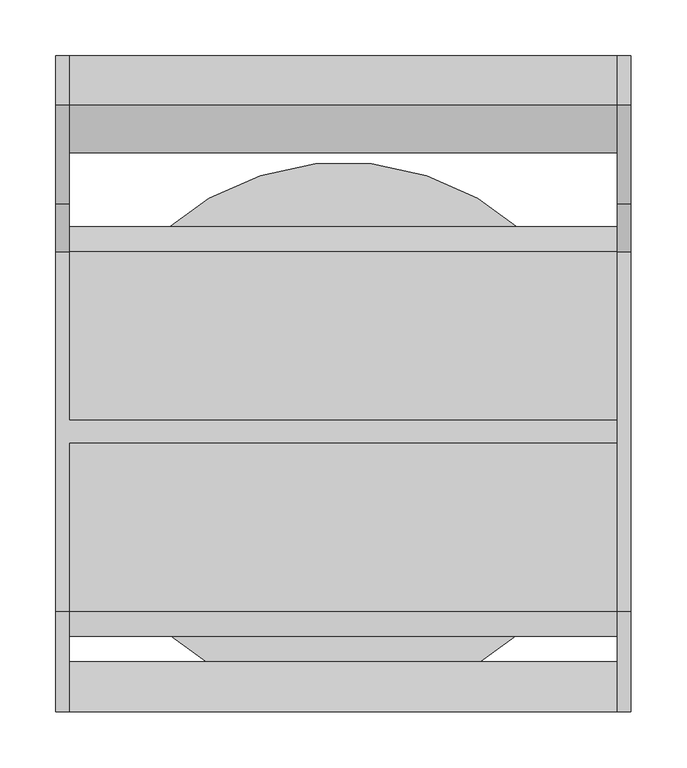
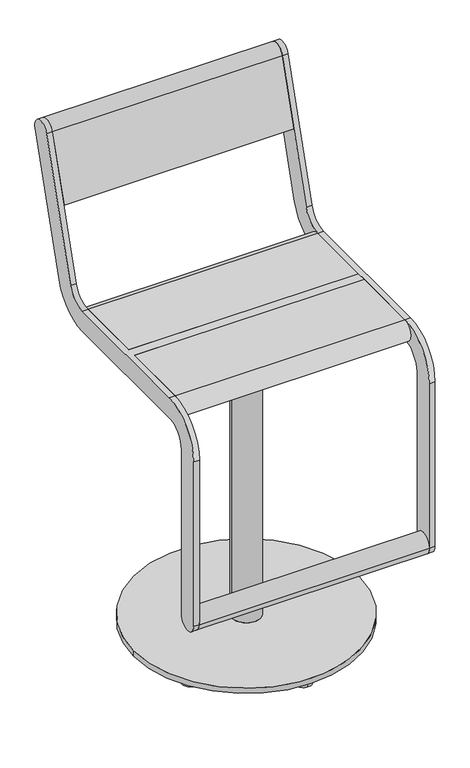
"""IFC4 building model written with IfcOpenShell, lengths in millimetres: furniture geometry."""

from ifc_helpers import new_model, si_unit, point, frame, frame_2d, origin, origin_2d, place, context, project, spatial, polyline, circle_curve, trimmed, segment, composite_curve, outline, extrude, source, transform, mapped, element, save
from ifc_brep_helpers import plane_surface, cylinder_surface, revolved_surface, advanced_brep


def furniture_181cd058(model_context):
    return source(origin(), model_context, "Body", "SolidModel", [
        extrude(outline(composite_curve([segment(trimmed(circle_curve(origin_2d(), 40.0), [point((-40.0, 0.0))], [point((40.0, 0.0))], False, "CARTESIAN"), True, "CONTINUOUS"), segment(trimmed(circle_curve(origin_2d(), 40.0), [point((40.0, 0.0))], [point((-40.0, 0.0))], False, "CARTESIAN"), True, "CONTINUOUS")], self_intersect=False)), frame((0.0, 0.0, 578.999979), z_axis=(0.0, 0.0, 1.0), x_axis=(1.0, 0.0, 0.0)), (0.0, 0.0, 1.0), 60.0000441),
        extrude(outline(polyline([(75.0, 125.0), (75.0, -125.0), (-75.0, -125.0), (-75.0, 125.0), (75.0, 125.0)])), frame((0.0, 0.0, 639.0000231), z_axis=(0.0, 0.0, 1.0), x_axis=(1.0, 0.0, 0.0)), (0.0, 0.0, 1.0), 15.9999681),
        advanced_brep(
        [(-30.0, 0.0, 578.999979), (30.0, 0.0, 578.999979), (-30.0, 0.0, 27.0), (30.0, 0.0, 27.0), (-240.0, 0.0, 27.0), (240.0, 0.0, 27.0), (-240.0, 0.0, 15.0), (240.0, 0.0, 15.0), (0.0, 227.9750039, 15.0), (0.0, 193.9750039, 15.0), (180.0, -121.1370998, 15.0), (180.0, -87.1370998, 15.0), (0.0, -227.9750039, 15.0), (0.0, -193.9750039, 15.0), (-180.0, -121.1370998, 15.0), (-180.0, -87.1370998, 15.0), (180.0, 121.1370998, 15.0), (180.0, 87.1370998, 15.0), (-180.0, 121.1370998, 15.0), (-180.0, 87.1370998, 15.0), (0.0, 227.9750039, 0.0), (0.0, 193.9750039, 0.0), (180.0, -121.1370998, 0.0), (180.0, -87.1370998, 0.0), (0.0, -227.9750039, 0.0), (0.0, -193.9750039, 0.0), (-180.0, -121.1370998, 0.0), (-180.0, -87.1370998, 0.0), (180.0, 121.1370998, 0.0), (180.0, 87.1370998, 0.0), (-180.0, 121.1370998, 0.0), (-180.0, 87.1370998, 0.0)],
        [
            (0, 1, circle_curve(frame((0.0, 0.0, 578.999979), z_axis=(0.0, 0.0, 1.0), x_axis=(1.0, 0.0, 0.0)), 30.0)),
            (1, 0, circle_curve(frame((0.0, 0.0, 578.999979), z_axis=(0.0, 0.0, 1.0), x_axis=(1.0, 0.0, 0.0)), 30.0)),
            (0, 2),
            (2, 3, circle_curve(frame((0.0, 0.0, 27.0), z_axis=(0.0, 0.0, 1.0), x_axis=(1.0, 0.0, 0.0)), 30.0)),
            (3, 1),
            (3, 2, circle_curve(frame((0.0, 0.0, 27.0), z_axis=(0.0, 0.0, 1.0), x_axis=(1.0, 0.0, 0.0)), 30.0)),
            (4, 5, circle_curve(frame((0.0, 0.0, 27.0), z_axis=(0.0, 0.0, 1.0), x_axis=(1.0, 0.0, 0.0)), 240.0)),
            (5, 4, circle_curve(frame((0.0, 0.0, 27.0), z_axis=(0.0, 0.0, 1.0), x_axis=(1.0, 0.0, 0.0)), 240.0)),
            (6, 7, circle_curve(frame((0.0, 0.0, 15.0), z_axis=(0.0, 0.0, -1.0), x_axis=(1.0, 0.0, 0.0)), 240.0)),
            (7, 6, circle_curve(frame((0.0, 0.0, 15.0), z_axis=(0.0, 0.0, -1.0), x_axis=(1.0, 0.0, 0.0)), 240.0)),
            (8, 9, circle_curve(frame((0.0, 210.9750039, 15.0), z_axis=(0.0, 0.0, 1.0), x_axis=(0.0, -1.0, 0.0)), 17.0)),
            (9, 8, circle_curve(frame((0.0, 210.9750039, 15.0), z_axis=(0.0, 0.0, 1.0), x_axis=(0.0, -1.0, 0.0)), 17.0)),
            (10, 11, circle_curve(frame((180.0, -104.1370998, 15.0), z_axis=(0.0, 0.0, 1.0), x_axis=(0.0, 1.0, 0.0)), 17.0)),
            (11, 10, circle_curve(frame((180.0, -104.1370998, 15.0), z_axis=(0.0, 0.0, 1.0), x_axis=(0.0, 1.0, 0.0)), 17.0)),
            (12, 13, circle_curve(frame((0.0, -210.9750039, 15.0), z_axis=(0.0, 0.0, 1.0), x_axis=(0.0, 1.0, 0.0)), 17.0)),
            (13, 12, circle_curve(frame((0.0, -210.9750039, 15.0), z_axis=(0.0, 0.0, 1.0), x_axis=(0.0, 1.0, 0.0)), 17.0)),
            (14, 15, circle_curve(frame((-180.0, -104.1370998, 15.0), z_axis=(0.0, 0.0, 1.0), x_axis=(0.0, 1.0, 0.0)), 17.0)),
            (15, 14, circle_curve(frame((-180.0, -104.1370998, 15.0), z_axis=(0.0, 0.0, 1.0), x_axis=(0.0, 1.0, 0.0)), 17.0)),
            (16, 17, circle_curve(frame((180.0, 104.1370998, 15.0), z_axis=(0.0, 0.0, 1.0), x_axis=(0.0, -1.0, 0.0)), 17.0)),
            (17, 16, circle_curve(frame((180.0, 104.1370998, 15.0), z_axis=(0.0, 0.0, 1.0), x_axis=(0.0, -1.0, 0.0)), 17.0)),
            (18, 19, circle_curve(frame((-180.0, 104.1370998, 15.0), z_axis=(0.0, 0.0, 1.0), x_axis=(0.0, -1.0, 0.0)), 17.0)),
            (19, 18, circle_curve(frame((-180.0, 104.1370998, 15.0), z_axis=(0.0, 0.0, 1.0), x_axis=(0.0, -1.0, 0.0)), 17.0)),
            (20, 21, circle_curve(frame((0.0, 210.9750039, 0.0), z_axis=(0.0, 0.0, -1.0), x_axis=(0.0, -1.0, 0.0)), 17.0)),
            (21, 20, circle_curve(frame((0.0, 210.9750039, 0.0), z_axis=(0.0, 0.0, -1.0), x_axis=(0.0, -1.0, 0.0)), 17.0)),
            (22, 23, circle_curve(frame((180.0, -104.1370998, 0.0), z_axis=(0.0, 0.0, -1.0), x_axis=(0.0, 1.0, 0.0)), 17.0)),
            (23, 22, circle_curve(frame((180.0, -104.1370998, 0.0), z_axis=(0.0, 0.0, -1.0), x_axis=(0.0, 1.0, 0.0)), 17.0)),
            (24, 25, circle_curve(frame((0.0, -210.9750039, 0.0), z_axis=(0.0, 0.0, -1.0), x_axis=(0.0, 1.0, 0.0)), 17.0)),
            (25, 24, circle_curve(frame((0.0, -210.9750039, 0.0), z_axis=(0.0, 0.0, -1.0), x_axis=(0.0, 1.0, 0.0)), 17.0)),
            (26, 27, circle_curve(frame((-180.0, -104.1370998, 0.0), z_axis=(0.0, 0.0, -1.0), x_axis=(0.0, 1.0, 0.0)), 17.0)),
            (27, 26, circle_curve(frame((-180.0, -104.1370998, 0.0), z_axis=(0.0, 0.0, -1.0), x_axis=(0.0, 1.0, 0.0)), 17.0)),
            (28, 29, circle_curve(frame((180.0, 104.1370998, 0.0), z_axis=(0.0, 0.0, -1.0), x_axis=(0.0, -1.0, 0.0)), 17.0)),
            (29, 28, circle_curve(frame((180.0, 104.1370998, 0.0), z_axis=(0.0, 0.0, -1.0), x_axis=(0.0, -1.0, 0.0)), 17.0)),
            (30, 31, circle_curve(frame((-180.0, 104.1370998, 0.0), z_axis=(0.0, 0.0, -1.0), x_axis=(0.0, -1.0, 0.0)), 17.0)),
            (31, 30, circle_curve(frame((-180.0, 104.1370998, 0.0), z_axis=(0.0, 0.0, -1.0), x_axis=(0.0, -1.0, 0.0)), 17.0)),
            (21, 9),
            (8, 20),
            (23, 11),
            (10, 22),
            (4, 6),
            (7, 5),
            (25, 13),
            (12, 24),
            (27, 15),
            (14, 26),
            (29, 17),
            (16, 28),
            (31, 19),
            (18, 30),
        ],
        [
            plane_surface(frame((30.0, 0.0, 578.999979), z_axis=(0.0, 0.0, 1.0), x_axis=(0.0, 1.0, 0.0))),
            cylinder_surface(frame((0.0, 0.0, 27.0), z_axis=(0.0, 0.0, 1.0), x_axis=(1.0, 0.0, 0.0)), 30.0),
            plane_surface(frame((240.0, 0.0, 27.0), z_axis=(0.0, 0.0, 1.0), x_axis=(0.0, 1.0, 0.0))),
            plane_surface(frame((240.0, 0.0, 15.0), z_axis=(0.0, 0.0, -1.0), x_axis=(0.0, -1.0, 0.0))),
            plane_surface(frame((0.0, 193.9750039, 0.0), z_axis=(0.0, 0.0, -1.0), x_axis=(-1.0, 0.0, 0.0))),
            cylinder_surface(frame((0.0, 210.9750039, 0.0), z_axis=(0.0, 0.0, 1.0), x_axis=(0.0, -1.0, 0.0)), 17.0),
            cylinder_surface(frame((180.0, -104.1370998, 0.0), z_axis=(0.0, 0.0, 1.0), x_axis=(0.0, 1.0, 0.0)), 17.0),
            cylinder_surface(frame((0.0, 0.0, 15.0), z_axis=(0.0, 0.0, 1.0), x_axis=(1.0, 0.0, 0.0)), 240.0),
            cylinder_surface(frame((0.0, -210.9750039, 0.0), z_axis=(0.0, 0.0, 1.0), x_axis=(0.0, 1.0, 0.0)), 17.0),
            cylinder_surface(frame((-180.0, -104.1370998, 0.0), z_axis=(0.0, 0.0, 1.0), x_axis=(0.0, 1.0, 0.0)), 17.0),
            cylinder_surface(frame((180.0, 104.1370998, 0.0), z_axis=(0.0, 0.0, 1.0), x_axis=(0.0, -1.0, 0.0)), 17.0),
            cylinder_surface(frame((-180.0, 104.1370998, 0.0), z_axis=(0.0, 0.0, 1.0), x_axis=(0.0, -1.0, 0.0)), 17.0),
        ],
        [
            (0, [[1, 2]]),
            (1, [[-1, 3, 4, 5]]),
            (1, [[-2, -5, 6, -3]]),
            (2, [[7, 8], [-4, -6]]),
            (3, [[9, 10], [11, 12], [13, 14], [15, 16], [17, 18], [19, 20], [21, 22]]),
            (4, [[23, 24]]),
            (4, [[25, 26]]),
            (4, [[27, 28]]),
            (4, [[29, 30]]),
            (4, [[31, 32]]),
            (4, [[33, 34]]),
            (5, [[-24, 35, -11, 36]]),
            (5, [[-23, -36, -12, -35]]),
            (6, [[-26, 37, -13, 38]]),
            (6, [[-25, -38, -14, -37]]),
            (7, [[-7, 39, -10, 40]]),
            (7, [[-8, -40, -9, -39]]),
            (8, [[-28, 41, -15, 42]]),
            (8, [[-27, -42, -16, -41]]),
            (9, [[-30, 43, -17, 44]]),
            (9, [[-29, -44, -18, -43]]),
            (10, [[-32, 45, -19, 46]]),
            (10, [[-31, -46, -20, -45]]),
            (11, [[-34, 47, -21, 48]]),
            (11, [[-33, -48, -22, -47]]),
        ],
    ),
        extrude(outline(composite_curve([segment(trimmed(circle_curve(frame_2d((-228.4999475, 240.0002133)), 22.4999984), [point((-205.9999492, 240.0002133))], [point((-250.9999459, 240.0002133))], False, "CARTESIAN"), True, "CONTINUOUS"), segment(trimmed(circle_curve(frame_2d((-228.4999475, 240.0002133)), 22.4999984), [point((-250.9999459, 240.0002133))], [point((-205.9999492, 240.0002133))], False, "CARTESIAN"), True, "CONTINUOUS")], self_intersect=False)), frame((-245.0, 0.0, 0.0), z_axis=(1.0, 0.0, 0.0), x_axis=(0.0, 1.0, 0.0)), (0.0, 0.0, 1.0), 490.0),
        extrude(outline(composite_curve([segment(trimmed(circle_curve(frame_2d((312.5544541, 1013.1126327)), 22.5), [point((291.0375971, 1019.6909961))], [point((334.0713112, 1006.5342693))], False, "CARTESIAN"), True, "CONTINUOUS"), segment(polyline([(334.0713112, 1006.5342693), (246.067428, 718.6865378)]), True, "CONTINUOUS"), segment(trimmed(circle_curve(frame_2d((160.0, 744.9999912)), 90.0), [point((246.067428, 718.6865378))], [point((160.0, 654.9999912))], False, "CARTESIAN"), True, "CONTINUOUS"), segment(polyline([(160.0, 654.9999912), (-161.000007, 654.9999912)]), True, "CONTINUOUS"), segment(trimmed(circle_curve(frame_2d((-161.000007, 610.000049)), 44.9999422), [point((-161.000007, 654.9999912))], [point((-205.9999492, 610.000049))], True, "CARTESIAN"), True, "CONTINUOUS"), segment(polyline([(-205.9999492, 610.000049), (-205.9999492, 240.0002133)]), True, "CONTINUOUS"), segment(trimmed(circle_curve(frame_2d((-228.4999475, 240.0002133)), 22.4999984), [point((-205.9999492, 240.0002133))], [point((-250.9999459, 240.0002133))], False, "CARTESIAN"), True, "CONTINUOUS"), segment(polyline([(-250.9999459, 240.0002133), (-250.9999459, 610.0000453)]), True, "CONTINUOUS"), segment(trimmed(circle_curve(frame_2d((-161.0, 610.0000453)), 89.9999459), [point((-250.9999459, 610.0000453))], [point((-161.0, 699.9999912))], False, "CARTESIAN"), True, "CONTINUOUS"), segment(polyline([(-161.0, 699.9999912), (160.0, 699.9999912)]), True, "CONTINUOUS"), segment(trimmed(circle_curve(frame_2d((160.0, 744.9999912)), 45.0), [point((160.0, 699.9999912))], [point((203.033714, 731.8432645))], True, "CARTESIAN"), True, "CONTINUOUS"), segment(polyline([(203.033714, 731.8432645), (291.0375971, 1019.6909961)]), True, "CONTINUOUS")], self_intersect=False)), frame((245.0000214, 0.0, 0.0), z_axis=(1.0, 0.0, 0.0), x_axis=(0.0, 1.0, 0.0)), (0.0, 0.0, 1.0), 12.0),
        advanced_brep(
        [(-245.0, 291.0375971, 1019.6909961), (-245.0, 203.033714, 731.8432645), (-245.0, 160.0, 699.9999912), (-245.0, 9.5, 699.9999912), (-245.0, 9.5, 654.9999912), (-245.0, 160.0, 654.9999912), (-245.0, 246.067428, 718.6865378), (-245.0, 334.0713112, 1006.5342693), (-245.0, -161.0, 699.9999912), (-245.0, -250.9999459, 610.0000453), (-245.0, -250.9999459, 240.0002133), (-245.0, -205.9999492, 240.0002133), (-245.0, -205.9999492, 610.000049), (-245.0, -161.000007, 654.9999912), (-245.0, -10.5, 654.9999912), (-245.0, -10.5, 699.9999912), (-257.0, 291.0375971, 1019.6909961), (-257.0, 334.0713112, 1006.5342693), (-257.0, 246.067428, 718.6865378), (-257.0, 160.0, 654.9999912), (-257.0, -161.000007, 654.9999912), (-257.0, -205.9999492, 610.000049), (-257.0, -205.9999492, 240.0002133), (-257.0, -250.9999459, 240.0002133), (-257.0, -250.9999459, 610.0000453), (-257.0, -161.0, 699.9999912), (-257.0, 160.0, 699.9999912), (-257.0, 203.033714, 731.8432645), (245.0, -10.5, 699.9999912), (245.0, 9.5, 699.9999912), (245.0, 9.5, 654.9999912), (245.0, -10.5, 654.9999912)],
        [
            (0, 1),
            (1, 2, circle_curve(frame((-245.0, 160.0, 744.9999912), z_axis=(-1.0, 0.0, 0.0), x_axis=(0.0, -1.0, 0.0)), 45.0)),
            (2, 3),
            (3, 4),
            (4, 5),
            (5, 6, circle_curve(frame((-245.0, 160.0, 744.9999912), z_axis=(1.0, 0.0, 0.0), x_axis=(0.0, -1.0, 0.0)), 90.0)),
            (6, 7),
            (7, 0, circle_curve(frame((-245.0, 312.5544541, 1013.1126327), z_axis=(1.0, 0.0, 0.0), x_axis=(0.0, -1.0, 0.0)), 22.5)),
            (8, 9, circle_curve(frame((-245.0, -161.0, 610.0000453), z_axis=(1.0, 0.0, 0.0), x_axis=(0.0, -1.0, 0.0)), 89.9999459)),
            (9, 10),
            (10, 11, circle_curve(frame((-245.0, -228.4999475, 240.0002133), z_axis=(1.0, 0.0, 0.0), x_axis=(0.0, -1.0, 0.0)), 22.4999984)),
            (11, 12),
            (12, 13, circle_curve(frame((-245.0, -161.000007, 610.000049), z_axis=(-1.0, 0.0, 0.0), x_axis=(0.0, -1.0, 0.0)), 44.9999422)),
            (13, 14),
            (14, 15),
            (15, 8),
            (16, 17, circle_curve(frame((-257.0, 312.5544541, 1013.1126327), z_axis=(-1.0, 0.0, 0.0), x_axis=(0.0, -1.0, 0.0)), 22.5)),
            (17, 18),
            (18, 19, circle_curve(frame((-257.0, 160.0, 744.9999912), z_axis=(-1.0, 0.0, 0.0), x_axis=(0.0, -1.0, 0.0)), 90.0)),
            (19, 20),
            (20, 21, circle_curve(frame((-257.0, -161.000007, 610.000049), z_axis=(1.0, 0.0, 0.0), x_axis=(0.0, -1.0, 0.0)), 44.9999422)),
            (21, 22),
            (22, 23, circle_curve(frame((-257.0, -228.4999475, 240.0002133), z_axis=(-1.0, 0.0, 0.0), x_axis=(0.0, -1.0, 0.0)), 22.4999984)),
            (23, 24),
            (24, 25, circle_curve(frame((-257.0, -161.0, 610.0000453), z_axis=(-1.0, 0.0, 0.0), x_axis=(0.0, -1.0, 0.0)), 89.9999459)),
            (25, 26),
            (26, 27, circle_curve(frame((-257.0, 160.0, 744.9999912), z_axis=(1.0, 0.0, 0.0), x_axis=(0.0, -1.0, 0.0)), 45.0)),
            (27, 16),
            (0, 16),
            (27, 1),
            (26, 2),
            (25, 8),
            (15, 28),
            (28, 29),
            (29, 3),
            (19, 5),
            (4, 30),
            (30, 31),
            (31, 14),
            (13, 20),
            (18, 6),
            (17, 7),
            (28, 31),
            (30, 29),
            (24, 9),
            (23, 10),
            (22, 11),
            (21, 12),
        ],
        [
            plane_surface(frame((-245.0, 203.033714, 731.8432645), z_axis=(1.0, 0.0, 0.0), x_axis=(0.0, -0.2923717047227337, -0.9563047559630364))),
            plane_surface(frame((-257.0, 203.033714, 731.8432645), z_axis=(-1.0, 0.0, 0.0), x_axis=(0.0, 0.2923717047227337, 0.9563047559630364))),
            plane_surface(frame((-245.0, 291.0375971, 1019.6909961), z_axis=(0.0, -0.9563047559630364, 0.2923717047227337), x_axis=(-1.0, 0.0, 0.0))),
            revolved_surface(polyline([(-257.0, 115.0, 744.9999912), (-245.0, 115.0, 744.9999912)]), (-257.0, 160.0, 744.9999912), (-1.0, 0.0, 0.0)),
            plane_surface(frame((-245.0, 160.0, 699.9999912), z_axis=(0.0, 0.0, 1.0), x_axis=(-1.0, 0.0, 0.0))),
            plane_surface(frame((-245.0, -161.000007, 654.9999912), z_axis=(0.0, 0.0, -1.0), x_axis=(-1.0, 0.0, 0.0))),
            cylinder_surface(frame((-257.0, 160.0, 744.9999912), z_axis=(1.0, 0.0, 0.0), x_axis=(0.0, -1.0, 0.0)), 90.0),
            plane_surface(frame((-245.0, 246.067428, 718.6865378), z_axis=(0.0, 0.9563047559630364, -0.2923717047227337), x_axis=(-1.0, 0.0, 0.0))),
            cylinder_surface(frame((-257.0, 312.5544541, 1013.1126327), z_axis=(1.0, 0.0, 0.0), x_axis=(0.0, -1.0, 0.0)), 22.5),
            plane_surface(frame((245.0, -10.5, 699.9999912), z_axis=(1.0, 0.0, 0.0), x_axis=(0.0, -1.0, 0.0))),
            plane_surface(frame((245.0, -10.5, 699.9999912), z_axis=(0.0, -1.0, 0.0), x_axis=(-1.0, 0.0, 0.0))),
            plane_surface(frame((245.0, 9.5, 654.9999912), z_axis=(0.0, 1.0, 0.0), x_axis=(-1.0, 0.0, 0.0))),
            cylinder_surface(frame((-257.0, -161.0, 610.0000453), z_axis=(1.0, 0.0, 0.0), x_axis=(0.0, -1.0, 0.0)), 89.9999459),
            plane_surface(frame((-245.0, -250.9999459, 610.0000453), z_axis=(0.0, -1.0, 0.0), x_axis=(-1.0, 0.0, 0.0))),
            cylinder_surface(frame((-257.0, -228.4999475, 240.0002133), z_axis=(1.0, 0.0, 0.0), x_axis=(0.0, -1.0, 0.0)), 22.4999984),
            plane_surface(frame((-245.0, -205.9999492, 240.0002133), z_axis=(0.0, 1.0, 0.0), x_axis=(-1.0, 0.0, 0.0))),
            revolved_surface(polyline([(-257.0, -205.9999492, 610.000049), (-245.0, -205.9999492, 610.000049)]), (-257.0, -161.000007, 610.000049), (-1.0, 0.0, 0.0)),
        ],
        [
            (0, [[1, 2, 3, 4, 5, 6, 7, 8]]),
            (0, [[9, 10, 11, 12, 13, 14, 15, 16]]),
            (1, [[17, 18, 19, 20, 21, 22, 23, 24, 25, 26, 27, 28]]),
            (2, [[-1, 29, -28, 30]]),
            (3, [[-2, -30, -27, 31]]),
            (4, [[-26, 32, -16, 33, 34, 35, -3, -31]]),
            (5, [[-20, 36, -5, 37, 38, 39, -14, 40]]),
            (6, [[-6, -36, -19, 41]]),
            (7, [[-7, -41, -18, 42]]),
            (8, [[-8, -42, -17, -29]]),
            (9, [[-34, 43, -38, 44]]),
            (10, [[-43, -33, -15, -39]]),
            (11, [[-44, -37, -4, -35]]),
            (12, [[-9, -32, -25, 45]]),
            (13, [[-10, -45, -24, 46]]),
            (14, [[-11, -46, -23, 47]]),
            (15, [[-12, -47, -22, 48]]),
            (16, [[-13, -48, -21, -40]]),
        ],
    ),
        extrude(outline(composite_curve([segment(trimmed(circle_curve(frame_2d((312.5544541, 1013.1126327)), 22.5), [point((291.0375971, 1019.6909961))], [point((334.0713112, 1006.5342693))], False, "CARTESIAN"), True, "CONTINUOUS"), segment(polyline([(334.0713112, 1006.5342693), (291.5312281, 867.3919274), (248.4975141, 880.5486541), (291.0375971, 1019.6909961)]), True, "CONTINUOUS")], self_intersect=False)), frame((-245.0, 0.0, 0.0), z_axis=(1.0, 0.0, 0.0), x_axis=(0.0, 1.0, 0.0)), (0.0, 0.0, 1.0), 490.0),
        extrude(outline(composite_curve([segment(polyline([(9.5, 654.9999912), (9.5, 699.9999912), (160.0, 699.9999912)]), True, "CONTINUOUS"), segment(trimmed(circle_curve(frame_2d((160.0, 677.4999912)), 22.5), [point((160.0, 699.9999912))], [point((160.0, 654.9999912))], False, "CARTESIAN"), True, "CONTINUOUS"), segment(polyline([(160.0, 654.9999912), (9.5, 654.9999912)]), True, "CONTINUOUS")], self_intersect=False)), frame((-245.0, 0.0, 0.0), z_axis=(1.0, 0.0, 0.0), x_axis=(0.0, 1.0, 0.0)), (0.0, 0.0, 1.0), 490.0),
        extrude(outline(composite_curve([segment(polyline([(-10.5, 654.9999912), (-161.0, 654.9999912)]), True, "CONTINUOUS"), segment(trimmed(circle_curve(frame_2d((-161.0, 677.4999912)), 22.5), [point((-161.0, 654.9999912))], [point((-161.0, 699.9999912))], False, "CARTESIAN"), True, "CONTINUOUS"), segment(polyline([(-161.0, 699.9999912), (-10.5, 699.9999912), (-10.5, 654.9999912)]), True, "CONTINUOUS")], self_intersect=False)), frame((-245.0, 0.0, 0.0), z_axis=(1.0, 0.0, 0.0), x_axis=(0.0, 1.0, 0.0)), (0.0, 0.0, 1.0), 490.0),
    ])


if __name__ == "__main__":
    model = new_model("IFC4")
    model_context = context("Model", 3, world=origin())
    ifc_project = project(units=[si_unit("LENGTHUNIT", "METRE", prefix="MILLI")], contexts=[model_context])
    site = spatial("IfcSite", under=ifc_project)
    building = spatial("IfcBuilding", under=site)
    placement = place(None, origin())
    furniture_shape = furniture_181cd058(model_context)
    element("IfcFurniture", 1, at=placement, inside=building, context=model_context, shape_type="MappedRepresentation", body=[
        mapped(furniture_shape, transform((0.0, 0.0, 0.0), x_axis=(1.0, 0.0, 0.0), y_axis=(0.0, 1.0, 0.0), z_axis=(0.0, 0.0, 1.0))),
    ])
    save(model, "model.ifc")
